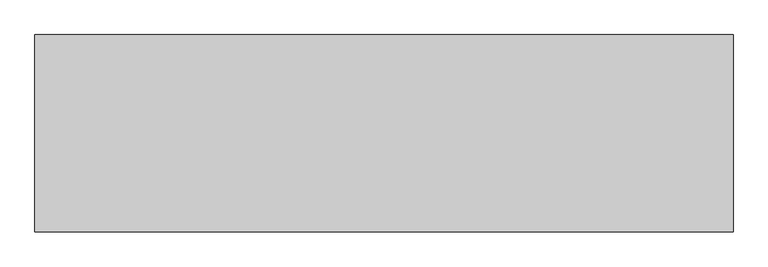
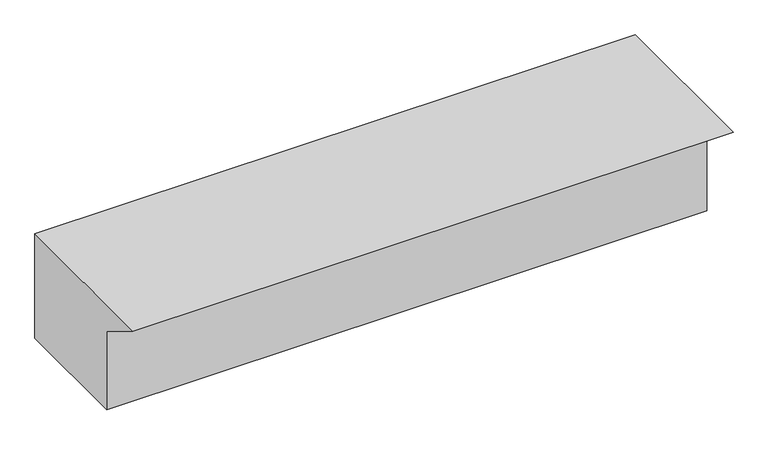
"""IFC4 building model written with IfcOpenShell, lengths in millimetres: stair geometry."""

from ifc_helpers import new_model, si_unit, frame, origin, place, context, project, spatial, polyline, outline, extrude, source, transform, mapped, element, save


def stair_deb9e02e(model_context):
    return source(origin(), model_context, "Body", "SweptSolid", [
        extrude(outline(polyline([(-3451.5765383, 9878.6039913), (-3550.5432389, 9940.0), (-3182.9760521, 9940.0), (-3182.9760521, 9700.0), (-3451.5765383, 9700.0), (-3451.5765383, 9878.6039913)])), frame((1286.8631266, 0.0, 0.0), z_axis=(1.0, 0.0, 0.0), x_axis=(0.0, 1.0, 0.0)), (0.0, 0.0, 1.0), 1300.0),
    ])


if __name__ == "__main__":
    model = new_model("IFC4")
    model_context = context("Model", 3, world=origin())
    ifc_project = project(units=[si_unit("LENGTHUNIT", "METRE", prefix="MILLI")], contexts=[model_context])
    site = spatial("IfcSite", under=ifc_project)
    building = spatial("IfcBuilding", under=site)
    placement = place(None, origin())
    stair_shape = stair_deb9e02e(model_context)
    element("IfcStair", 1, at=placement, inside=building, context=model_context, shape_type="MappedRepresentation", body=[
        mapped(stair_shape, transform((0.0, 0.0, 0.0), x_axis=(1.0, 0.0, 0.0), y_axis=(0.0, 1.0, 0.0), z_axis=(0.0, 0.0, 1.0))),
    ])
    save(model, "model.ifc")
